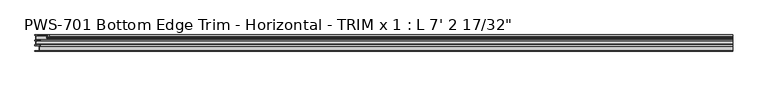
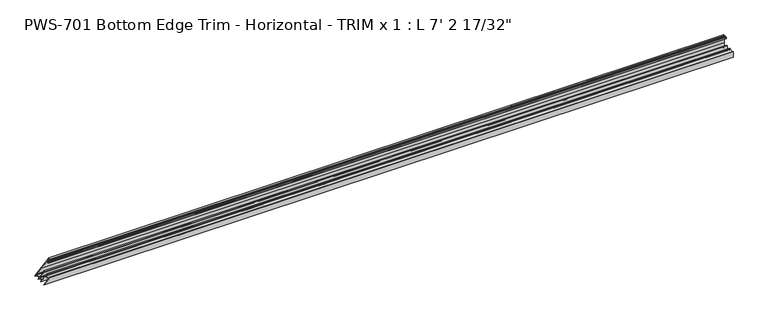
"""IFC4 building model written with IfcOpenShell, lengths in millimetres: proxy geometry."""

import ifcopenshell
import ifcopenshell.guid

model = None  # the IFC model being written
_history = None  # IfcOwnerHistory: only IFC2X3 demands one
_inside = {}  # id of a spatial element -> (the spatial element, [elements in it])
_under = {}  # id of a project, library or spatial element -> (it, [spatial elements below it])
_declared = {}  # id of a project -> (the project, [libraries it declares])
_typed = {}  # id of a type object -> (the type object, [elements of that type])
_made_of = {}  # id of a material, layer set ... -> (it, [elements and type objects made of it])


def new_model(schema):
    """Start an empty IFC model of exactly this schema.

    Asked for "IFC4X3", IfcOpenShell would pick the latest addendum, in which some entities
    have other attributes; the version numbers below select the first issue.
    IFC2X3 requires an IfcOwnerHistory on every rooted entity: one is made here for all.
    """
    global model, _history
    if schema == "IFC4X3":
        model = ifcopenshell.file(schema_version=(4, 3, 0, 0))
    else:
        model = ifcopenshell.file(schema=schema)
    _inside.clear()
    _under.clear()
    _declared.clear()
    _typed.clear()
    _made_of.clear()
    _history = None
    if model.schema == "IFC2X3":
        org = make("IfcOrganization", Name="unknown")
        user = make(
            "IfcPersonAndOrganization",
            ThePerson=make("IfcPerson", FamilyName="unknown"),
            TheOrganization=org,
        )
        app = make(
            "IfcApplication",
            ApplicationDeveloper=org,
            Version="unknown",
            ApplicationFullName="unknown",
            ApplicationIdentifier="unknown",
        )
        _history = make(
            "IfcOwnerHistory",
            OwningUser=user,
            OwningApplication=app,
            ChangeAction="ADDED",
            CreationDate=0,
        )
    return model


def make(cls, **values):
    """One entity of the class cls with the attributes given. An attribute that is None is left unset."""
    return model.create_entity(
        cls, **{name: value for name, value in values.items() if value is not None}
    )


def rooted(cls, **values):
    """An entity with a GlobalId (a new one), such as an element, a storey or a relation."""
    return make(cls, GlobalId=ifcopenshell.guid.new(), OwnerHistory=_history, **values)


def si_unit(unit_type, name, prefix=None):
    """IfcSIUnit, for example si_unit("LENGTHUNIT", "METRE", prefix="MILLI")."""
    return make("IfcSIUnit", UnitType=unit_type, Prefix=prefix, Name=name)


def assignment(units):
    """IfcUnitAssignment: the units of a project."""
    return None if units is None else make("IfcUnitAssignment", Units=units)


def point(xyz):
    """IfcCartesianPoint."""
    return None if xyz is None else make("IfcCartesianPoint", Coordinates=xyz)


def direction(xyz):
    """IfcDirection."""
    return None if xyz is None else make("IfcDirection", DirectionRatios=xyz)


def frame(location, z_axis=None, x_axis=None):
    """IfcAxis2Placement3D, a coordinate frame: its origin and axes. An axis left out is left unset."""
    return make(
        "IfcAxis2Placement3D",
        Location=point(location),
        Axis=direction(z_axis),
        RefDirection=direction(x_axis),
    )


def origin():
    """The frame at (0, 0, 0) with its axes left unset."""
    return frame((0.0, 0.0, 0.0))


def place(relative_to, where):
    """IfcLocalPlacement: puts the frame where relative to a parent placement (None: the world)."""
    return make(
        "IfcLocalPlacement", PlacementRelTo=relative_to, RelativePlacement=where
    )


def context(
    kind, dimensions, precision=None, world=None, true_north=None, identifier=None
):
    """IfcGeometricRepresentationContext, for example the 3D "Model" context."""
    return make(
        "IfcGeometricRepresentationContext",
        ContextIdentifier=identifier,
        ContextType=kind,
        CoordinateSpaceDimension=dimensions,
        Precision=precision,
        WorldCoordinateSystem=world,
        TrueNorth=true_north,
    )


def project(units=None, contexts=None):
    """IfcProject with its units and contexts."""
    return rooted(
        "IfcProject",
        Name="project",
        RepresentationContexts=contexts,
        UnitsInContext=assignment(units),
    )


def spatial(cls, under=None, at=None, **own):
    """A site, building, storey or space (cls), placed at a placement, below another one or the project."""
    s = rooted(cls, ObjectPlacement=at, **own)
    if under is not None:
        _under.setdefault(under.id(), (under, []))[1].append(s)
    return s


def polyline(points):
    """IfcPolyline through the points."""
    return make("IfcPolyline", Points=[point(p) for p in points])


def circle_curve(where, radius):
    """IfcCircle in the frame where."""
    return make("IfcCircle", Position=where, Radius=radius)


def ellipse_curve(where, semi_axis1, semi_axis2):
    """IfcEllipse in the frame where."""
    return make(
        "IfcEllipse", Position=where, SemiAxis1=semi_axis1, SemiAxis2=semi_axis2
    )


def shape(context_of_items, identifier, shape_type, items):
    """IfcShapeRepresentation: the items that make up one representation, for example the "Body"."""
    return make(
        "IfcShapeRepresentation",
        ContextOfItems=context_of_items,
        RepresentationIdentifier=identifier,
        RepresentationType=shape_type,
        Items=items,
    )


def source(mapping_origin, context_of_items, identifier, shape_type, items):
    """IfcRepresentationMap: a shape defined once, which mapped items show again and again."""
    return make(
        "IfcRepresentationMap",
        MappingOrigin=mapping_origin,
        MappedRepresentation=shape(context_of_items, identifier, shape_type, items),
    )


def transform(
    local_origin,
    x_axis=None,
    y_axis=None,
    z_axis=None,
    scale=None,
    scale2=None,
    scale3=None,
    uniform=True,
):
    """IfcCartesianTransformationOperator3D, or its non-uniform kind. x_axis, y_axis, z_axis: its Axis1, 2, 3."""
    if uniform:
        return make(
            "IfcCartesianTransformationOperator3D",
            Axis1=direction(x_axis),
            Axis2=direction(y_axis),
            LocalOrigin=point(local_origin),
            Scale=scale,
            Axis3=direction(z_axis),
        )
    return make(
        "IfcCartesianTransformationOperator3DnonUniform",
        Axis1=direction(x_axis),
        Axis2=direction(y_axis),
        LocalOrigin=point(local_origin),
        Scale=scale,
        Axis3=direction(z_axis),
        Scale2=scale2,
        Scale3=scale3,
    )


def mapped(mapping_source, mapping_target):
    """IfcMappedItem: shows the shape of a source again, moved by a transform."""
    return make(
        "IfcMappedItem", MappingSource=mapping_source, MappingTarget=mapping_target
    )


def made_of(thing, what):
    """Note that an element or type object is made of a material, layer set ...; save() writes the relation."""
    if what is not None:
        _made_of.setdefault(what.id(), (what, []))[1].append(thing)
    return thing


def element(
    cls,
    number,
    at=None,
    inside=None,
    cuts=None,
    type_object=None,
    material=None,
    context=None,
    identifier="Body",
    shape_type=None,
    held_by="IfcProductDefinitionShape",
    body=None,
    shapes=None,
    **own,
):
    """One element of the class cls, such as IfcWall. Its Tag is "e" and its number.

    at: its placement. inside: the storey or other place that contains it. cuts: it is an
    opening in that element (IfcRelVoidsElement). A single representation is given by context,
    identifier, shape_type and body (its items); several are given by shapes. held_by: the class
    of the entity that holds the representations. save() writes the other relations.
    """
    e = rooted(cls, Tag="e%d" % number, ObjectPlacement=at, **own)
    if body is not None:
        shapes = [shape(context, identifier, shape_type, body)]
    if shapes is not None:
        e.Representation = make(held_by, Representations=shapes)
    if inside is not None:
        _inside.setdefault(inside.id(), (inside, []))[1].append(e)
    if cuts is not None:
        rooted(
            "IfcRelVoidsElement", RelatingBuildingElement=cuts, RelatedOpeningElement=e
        )
    if type_object is not None:
        _typed.setdefault(type_object.id(), (type_object, []))[1].append(e)
    return made_of(e, material)


def aggregate(whole, parts):
    """IfcRelAggregates: a whole, such as a stair, and the parts it consists of."""
    return rooted("IfcRelAggregates", RelatingObject=whole, RelatedObjects=parts)


def save(model, path):
    """Write the relations noted so far, then the file.

    IfcRelAggregates (storeys below a building ...), IfcRelContainedInSpatialStructure (elements
    in a storey), IfcRelDefinesByType, IfcRelAssociatesMaterial and IfcRelDeclares: one each for
    every whole, place, type object, material and project.
    """
    for whole, parts in _under.values():
        aggregate(whole, parts)
    for where, things in _inside.values():
        rooted(
            "IfcRelContainedInSpatialStructure",
            RelatedElements=things,
            RelatingStructure=where,
        )
    for kind, things in _typed.values():
        rooted("IfcRelDefinesByType", RelatedObjects=things, RelatingType=kind)
    for what, things in _made_of.values():
        rooted("IfcRelAssociatesMaterial", RelatedObjects=things, RelatingMaterial=what)
    for by, libraries in _declared.values():
        rooted("IfcRelDeclares", RelatingContext=by, RelatedDefinitions=libraries)
    model.write(path)


def plane_surface(at):
    """IfcPlane: the flat surface through the origin of the frame at, square to its z axis."""
    return make("IfcPlane", Position=at)


def cylinder_surface(at, radius):
    """IfcCylindricalSurface: all points at the distance radius from the z axis of the frame at."""
    return make("IfcCylindricalSurface", Position=at, Radius=radius)


def revolved_surface(curve, axis_point, axis_direction):
    """IfcSurfaceOfRevolution: the curve turned about the line through axis_point along axis_direction."""
    return make(
        "IfcSurfaceOfRevolution",
        SweptCurve=make("IfcArbitraryOpenProfileDef", ProfileType="CURVE", Curve=curve),
        AxisPosition=make("IfcAxis1Placement", Location=point(axis_point), Axis=direction(axis_direction)),
    )


def advanced_brep(points, edges, surfaces, faces):
    """IfcAdvancedBrep: a solid bounded by faces that lie on surfaces and meet in shared edges.

    An edge is (start, end): straight between two places in points (the first is 0);
    or (start, end, curve); or (start, end, curve, False) where it runs against its curve.
    A face is (place in surfaces, loops), or (place, loops, False) where it looks against
    its surface's normal. A loop lists edges by number (the first is 1), with a minus sign
    where the edge is run from its end to its start. The first loop is the outer one.
    """
    corners = [point(p) for p in points]
    vertices = [make("IfcVertexPoint", VertexGeometry=c) for c in corners]
    made = []
    for start, end, *more in edges:
        made.append(
            make(
                "IfcEdgeCurve",
                EdgeStart=vertices[start],
                EdgeEnd=vertices[end],
                EdgeGeometry=more[0] if more else make("IfcPolyline", Points=[corners[start], corners[end]]),
                SameSense=more[1] if len(more) > 1 else True,
            )
        )
    hull = []
    for where, loops, *sense in faces:
        bounds = []
        for j, loop in enumerate(loops):
            ring = [make("IfcOrientedEdge", EdgeElement=made[abs(k) - 1], Orientation=k > 0) for k in loop]
            bounds.append(
                make(
                    "IfcFaceOuterBound" if j == 0 else "IfcFaceBound",
                    Bound=make("IfcEdgeLoop", EdgeList=ring),
                    Orientation=True,
                )
            )
        hull.append(make("IfcAdvancedFace", Bounds=bounds, FaceSurface=surfaces[where], SameSense=sense[0] if sense else True))
    return make("IfcAdvancedBrep", Outer=make("IfcClosedShell", CfsFaces=hull))


def proxy_c3da965c(model_context):
    return source(origin(), model_context, "Body", "AdvancedBrep", [
        advanced_brep(
        [(2197.89375, -15.875, 17.4625), (2197.89375, -15.875, 19.05), (2197.89375, -19.05, 19.05), (2197.89375, -19.05, 6.35), (2197.89375, -20.6375, 4.7625), (2197.89375, -30.1625, 4.7625), (2197.89375, -31.75, 6.35), (2197.89375, -31.75, 19.05), (2197.89375, -36.35375, 19.05), (2197.89375, -36.35375, 18.25752), (2197.89375, -35.55873, 17.4625), (2197.89375, -33.9725, 17.4625), (2197.89375, -33.9725, 15.875), (2197.89375, -49.2125, 15.875), (2197.89375, -49.2125, 17.907), (2197.89375, -50.8, 17.907), (2197.89375, -50.8, 0.0), (2197.89375, -49.2125, 0.0), (2197.89375, -49.2125, 12.7), (2197.89375, -47.625, 14.2875), (2197.89375, -34.925, 14.2875), (2197.89375, -33.3375, 12.7), (2197.89375, -33.3375, 0.0), (2197.89375, -31.75, 0.0), (2197.89375, -31.75, 1.5875), (2197.89375, -30.1625, 3.175), (2197.89375, -20.6375, 3.175), (2197.89375, -19.05, 1.5875), (2197.89375, -19.05, 0.0), (2197.89375, -17.4625, 0.0), (2197.89375, -17.4625, 1.5875), (2197.89375, -15.875, 3.175), (2197.89375, -3.175, 3.175), (2197.89375, -1.5875, 1.5875), (2197.89375, -1.5875, 0.0), (2197.89375, 0.0, 0.0), (2197.89375, 0.0, 44.45), (2197.89375, -6.0569064, 44.45), (2197.89375, -7.1755, 43.5416341), (2197.89375, -7.1755, 42.7502912), (2197.89375, -6.2865, 42.7502912), (2197.89375, -6.2865, 40.242076), (2197.89375, -8.6995, 38.1), (2197.89375, -11.1125, 40.242076), (2197.89375, -11.1125, 42.7502912), (2197.89375, -10.2659469, 42.7502912), (2197.89375, -10.3627194, 43.688), (2197.89375, -12.7, 43.688), (2197.89375, -12.7, 40.0142401), (2197.89375, -8.6995, 36.4914739), (2197.89375, -4.699, 40.0142401), (2197.89375, -4.699, 42.8625), (2197.89375, -3.175, 42.8625), (2197.89375, -1.5875, 41.275), (2197.89375, -1.5875, 19.05), (2197.89375, -2.38252, 6.35), (2197.89375, -3.97002, 4.7625), (2197.89375, -15.875, 4.7625), (2197.89375, -17.4625, 6.35), (2197.89375, -17.4625, 15.875), (15.875, -17.4625, 15.875), (17.4625, -15.875, 17.4625), (6.35, -17.4625, 6.35), (4.7625, -15.875, 4.7625), (4.7625, -3.97002, 4.7625), (6.35, -2.38252, 6.35), (19.05, -1.5875, 19.05), (41.275, -1.5875, 41.275), (42.8625, -3.175, 42.8625), (42.8625, -4.699, 42.8625), (40.0142401, -4.699, 40.0142401), (36.4914739, -8.6995, 36.4914739), (40.0142401, -12.7, 40.0142401), (43.688, -12.7, 43.688), (43.688, -10.3627194, 43.688), (42.7502912, -10.2659469, 42.7502912), (42.7502912, -11.1125, 42.7502912), (40.242076, -11.1125, 40.242076), (38.1, -8.6995, 38.1), (40.242076, -6.2865, 40.242076), (42.7502912, -6.2865, 42.7502912), (42.7502912, -7.1755, 42.7502912), (43.5416341, -7.1755, 43.5416341), (44.45, -6.0569064, 44.45), (44.45, 0.0, 44.45), (0.0, 0.0, 0.0), (0.0, -1.5875, 0.0), (1.5875, -1.5875, 1.5875), (3.175, -3.175, 3.175), (3.175, -15.875, 3.175), (1.5875, -17.4625, 1.5875), (0.0, -17.4625, 0.0), (0.0, -19.05, 0.0), (1.5875, -19.05, 1.5875), (3.175, -20.6375, 3.175), (3.175, -30.1625, 3.175), (1.5875, -31.75, 1.5875), (0.0, -31.75, 0.0), (0.0, -33.3375, 0.0), (12.7, -33.3375, 12.7), (14.2875, -34.925, 14.2875), (14.2875, -47.625, 14.2875), (12.7, -49.2125, 12.7), (0.0, -49.2125, 0.0), (0.0, -50.8, 0.0), (17.907, -50.8, 17.907), (17.907, -49.2125, 17.907), (15.875, -49.2125, 15.875), (15.875, -33.9725, 15.875), (17.4625, -33.9725, 17.4625), (17.4625, -35.55873, 17.4625), (18.25752, -36.35375, 18.25752), (19.05, -36.35375, 19.05), (19.05, -31.75, 19.05), (6.35, -31.75, 6.35), (4.7625, -30.1625, 4.7625), (4.7625, -20.6375, 4.7625), (6.35, -19.05, 6.35), (19.05, -19.05, 19.05), (19.05, -15.875, 19.05)],
        [
            (0, 1),
            (1, 2),
            (2, 3),
            (3, 4, circle_curve(frame((2197.89375, -20.6375, 6.35), z_axis=(-1.0, 0.0, 0.0), x_axis=(0.0, 0.0, -1.0)), 1.5875)),
            (4, 5),
            (5, 6, circle_curve(frame((2197.89375, -30.1625, 6.35), z_axis=(-1.0, 0.0, 0.0), x_axis=(0.0, 0.0, -1.0)), 1.5875)),
            (6, 7),
            (7, 8),
            (8, 9),
            (9, 10, circle_curve(frame((2197.89375, -35.55873, 18.25752), z_axis=(1.0, 0.0, 0.0), x_axis=(0.0, 0.0, -1.0)), 0.79502)),
            (10, 11),
            (11, 12),
            (12, 13),
            (13, 14),
            (14, 15),
            (15, 16),
            (16, 17),
            (17, 18),
            (18, 19, circle_curve(frame((2197.89375, -47.625, 12.7), z_axis=(-1.0, 0.0, 0.0), x_axis=(0.0, 0.0, -1.0)), 1.5875)),
            (19, 20),
            (20, 21, circle_curve(frame((2197.89375, -34.925, 12.7), z_axis=(-1.0, 0.0, 0.0), x_axis=(0.0, 0.0, -1.0)), 1.5875)),
            (21, 22),
            (22, 23),
            (23, 24),
            (24, 25, circle_curve(frame((2197.89375, -30.1625, 1.5875), z_axis=(-1.0, 0.0, 0.0), x_axis=(0.0, 0.0, -1.0)), 1.5875)),
            (25, 26),
            (26, 27, circle_curve(frame((2197.89375, -20.6375, 1.5875), z_axis=(-1.0, 0.0, 0.0), x_axis=(0.0, 0.0, -1.0)), 1.5875)),
            (27, 28),
            (28, 29),
            (29, 30),
            (30, 31, circle_curve(frame((2197.89375, -15.875, 1.5875), z_axis=(-1.0, 0.0, 0.0), x_axis=(0.0, 0.0, -1.0)), 1.5875)),
            (31, 32),
            (32, 33, circle_curve(frame((2197.89375, -3.175, 1.5875), z_axis=(-1.0, 0.0, 0.0), x_axis=(0.0, 0.0, -1.0)), 1.5875)),
            (33, 34),
            (34, 35),
            (35, 36),
            (36, 37),
            (37, 38, circle_curve(frame((2197.89375, -6.0569064, 43.3070794), z_axis=(1.0, 0.0, 0.0), x_axis=(0.0, 0.0, -1.0)), 1.1429206)),
            (38, 39),
            (39, 40),
            (40, 41),
            (41, 42, circle_curve(frame((2197.89375, -9.3305673, 41.2410159), z_axis=(-1.0, 0.0, 0.0), x_axis=(0.0, 0.0, -1.0)), 3.2037832)),
            (42, 43, circle_curve(frame((2197.89375, -8.0684327, 41.2410159), z_axis=(-1.0, 0.0, 0.0), x_axis=(0.0, 0.0, -1.0)), 3.2037832)),
            (43, 44),
            (44, 45),
            (45, 46, circle_curve(frame((2197.89375, -11.3244879, 43.1148966), z_axis=(1.0, 0.0, 0.0), x_axis=(0.0, 0.0, -1.0)), 1.1195742)),
            (46, 47),
            (47, 48),
            (48, 49, circle_curve(frame((2197.89375, -8.0684327, 41.2410159), z_axis=(1.0, 0.0, 0.0), x_axis=(0.0, 0.0, -1.0)), 4.7912832)),
            (49, 50, circle_curve(frame((2197.89375, -9.3305673, 41.2410159), z_axis=(1.0, 0.0, 0.0), x_axis=(0.0, 0.0, -1.0)), 4.7912832)),
            (50, 51),
            (51, 52),
            (52, 53, circle_curve(frame((2197.89375, -3.175, 41.275), z_axis=(-1.0, 0.0, 0.0), x_axis=(0.0, 0.0, -1.0)), 1.5875)),
            (53, 54),
            (54, 55),
            (55, 56, circle_curve(frame((2197.89375, -3.97002, 6.35), z_axis=(-1.0, 0.0, 0.0), x_axis=(0.0, 0.0, -1.0)), 1.5875)),
            (56, 57),
            (57, 58, circle_curve(frame((2197.89375, -15.875, 6.35), z_axis=(-1.0, 0.0, 0.0), x_axis=(0.0, 0.0, -1.0)), 1.5875)),
            (58, 59),
            (59, 0, circle_curve(frame((2197.89375, -15.875, 15.875), z_axis=(-1.0, 0.0, 0.0), x_axis=(0.0, 0.0, -1.0)), 1.5875)),
            (59, 60),
            (60, 61, ellipse_curve(frame((15.875, -15.875, 15.875), z_axis=(-0.707106781186547, 0.0, 0.7071067811865481), x_axis=(-0.7071067811865478, 0.0, -0.707106781186547)), 2.245064, 1.5875)),
            (61, 0),
            (58, 62),
            (62, 60),
            (57, 63),
            (63, 62, ellipse_curve(frame((6.35, -15.875, 6.35), z_axis=(-0.707106781186547, 0.0, 0.7071067811865481), x_axis=(-0.7071067811865478, 0.0, -0.707106781186547)), 2.245064, 1.5875)),
            (56, 64),
            (64, 63),
            (55, 65),
            (65, 64, ellipse_curve(frame((6.35, -3.97002, 6.35), z_axis=(-0.707106781186547, 0.0, 0.7071067811865481), x_axis=(-0.7071067811865478, 0.0, -0.707106781186547)), 2.245064, 1.5875)),
            (54, 66),
            (66, 65),
            (53, 67),
            (67, 66),
            (52, 68),
            (68, 67, ellipse_curve(frame((41.275, -3.175, 41.275), z_axis=(-0.707106781186547, 0.0, 0.7071067811865481), x_axis=(-0.7071067811865478, 0.0, -0.707106781186547)), 2.245064, 1.5875)),
            (51, 69),
            (69, 68),
            (50, 70),
            (70, 69),
            (49, 71),
            (71, 70, ellipse_curve(frame((41.2410159, -9.3305673, 41.2410159), z_axis=(0.707106781186547, 0.0, -0.7071067811865481), x_axis=(0.7071067811865478, 0.0, 0.707106781186547)), 6.7758977, 4.7912832)),
            (48, 72),
            (72, 71, ellipse_curve(frame((41.2410159, -8.0684327, 41.2410159), z_axis=(0.707106781186547, 0.0, -0.7071067811865481), x_axis=(0.7071067811865478, 0.0, 0.707106781186547)), 6.7758977, 4.7912832)),
            (47, 73),
            (73, 72),
            (46, 74),
            (74, 73),
            (45, 75),
            (75, 74, ellipse_curve(frame((43.1148966, -11.3244879, 43.1148966), z_axis=(0.707106781186547, 0.0, -0.7071067811865481), x_axis=(0.7071067811865478, 0.0, 0.707106781186547)), 1.583317, 1.1195742)),
            (44, 76),
            (76, 75),
            (43, 77),
            (77, 76),
            (42, 78),
            (78, 77, ellipse_curve(frame((41.2410159, -8.0684327, 41.2410159), z_axis=(-0.707106781186547, 0.0, 0.7071067811865481), x_axis=(-0.7071067811865478, 0.0, -0.707106781186547)), 4.5308337, 3.2037832)),
            (41, 79),
            (79, 78, ellipse_curve(frame((41.2410159, -9.3305673, 41.2410159), z_axis=(-0.707106781186547, 0.0, 0.7071067811865481), x_axis=(-0.7071067811865478, 0.0, -0.707106781186547)), 4.5308337, 3.2037832)),
            (40, 80),
            (80, 79),
            (39, 81),
            (81, 80),
            (38, 82),
            (82, 81),
            (37, 83),
            (83, 82, ellipse_curve(frame((43.3070794, -6.0569064, 43.3070794), z_axis=(0.707106781186547, 0.0, -0.7071067811865481), x_axis=(0.7071067811865478, 0.0, 0.707106781186547)), 1.6163338, 1.1429206)),
            (36, 84),
            (84, 83),
            (35, 85),
            (85, 84),
            (34, 86),
            (86, 85),
            (33, 87),
            (87, 86),
            (32, 88),
            (88, 87, ellipse_curve(frame((1.5875, -3.175, 1.5875), z_axis=(-0.707106781186547, 0.0, 0.7071067811865481), x_axis=(-0.7071067811865478, 0.0, -0.707106781186547)), 2.245064, 1.5875)),
            (31, 89),
            (89, 88),
            (30, 90),
            (90, 89, ellipse_curve(frame((1.5875, -15.875, 1.5875), z_axis=(-0.707106781186547, 0.0, 0.7071067811865481), x_axis=(-0.7071067811865478, 0.0, -0.707106781186547)), 2.245064, 1.5875)),
            (29, 91),
            (91, 90),
            (28, 92),
            (92, 91),
            (27, 93),
            (93, 92),
            (26, 94),
            (94, 93, ellipse_curve(frame((1.5875, -20.6375, 1.5875), z_axis=(-0.707106781186547, 0.0, 0.7071067811865481), x_axis=(-0.7071067811865478, 0.0, -0.707106781186547)), 2.245064, 1.5875)),
            (25, 95),
            (95, 94),
            (24, 96),
            (96, 95, ellipse_curve(frame((1.5875, -30.1625, 1.5875), z_axis=(-0.707106781186547, 0.0, 0.7071067811865481), x_axis=(-0.7071067811865478, 0.0, -0.707106781186547)), 2.245064, 1.5875)),
            (23, 97),
            (97, 96),
            (22, 98),
            (98, 97),
            (21, 99),
            (99, 98),
            (20, 100),
            (100, 99, ellipse_curve(frame((12.7, -34.925, 12.7), z_axis=(-0.707106781186547, 0.0, 0.7071067811865481), x_axis=(-0.7071067811865478, 0.0, -0.707106781186547)), 2.245064, 1.5875)),
            (19, 101),
            (101, 100),
            (18, 102),
            (102, 101, ellipse_curve(frame((12.7, -47.625, 12.7), z_axis=(-0.707106781186547, 0.0, 0.7071067811865481), x_axis=(-0.7071067811865478, 0.0, -0.707106781186547)), 2.245064, 1.5875)),
            (17, 103),
            (103, 102),
            (16, 104),
            (104, 103),
            (15, 105),
            (105, 104),
            (14, 106),
            (106, 105),
            (13, 107),
            (107, 106),
            (12, 108),
            (108, 107),
            (11, 109),
            (109, 108),
            (10, 110),
            (110, 109),
            (9, 111),
            (111, 110, ellipse_curve(frame((18.25752, -35.55873, 18.25752), z_axis=(0.707106781186547, 0.0, -0.7071067811865481), x_axis=(0.7071067811865478, 0.0, 0.707106781186547)), 1.1243281, 0.79502)),
            (8, 112),
            (112, 111),
            (7, 113),
            (113, 112),
            (6, 114),
            (114, 113),
            (5, 115),
            (115, 114, ellipse_curve(frame((6.35, -30.1625, 6.35), z_axis=(-0.707106781186547, 0.0, 0.7071067811865481), x_axis=(-0.7071067811865478, 0.0, -0.707106781186547)), 2.245064, 1.5875)),
            (4, 116),
            (116, 115),
            (3, 117),
            (117, 116, ellipse_curve(frame((6.35, -20.6375, 6.35), z_axis=(-0.707106781186547, 0.0, 0.7071067811865481), x_axis=(-0.7071067811865478, 0.0, -0.707106781186547)), 2.245064, 1.5875)),
            (2, 118),
            (118, 117),
            (1, 119),
            (119, 118),
            (61, 119),
        ],
        [
            plane_surface(frame((2197.89375, -15.875, 14.2875), z_axis=(1.0, 0.0, 0.0), x_axis=(0.0, 1.0, 0.0))),
            revolved_surface(polyline([(14.287500021402204, -15.875, 14.2875), (2197.89375, -15.875, 14.2875)]), (0.0, -15.875, 15.875), (-1.0, 0.0, 0.0)),
            plane_surface(frame((2197.89375, -17.4625, 15.875), z_axis=(0.0, 1.0, 0.0), x_axis=(-1.0, 0.0, 0.0))),
            revolved_surface(polyline([(4.7625, -15.875, 4.762499999999999), (2197.89375, -15.875, 4.762499999999999)]), (0.0, -15.875, 6.35), (-1.0, 0.0, 0.0)),
            plane_surface(frame((2197.89375, -15.875, 4.7625), z_axis=(0.0, 0.0, 1.0), x_axis=(-1.0, 0.0, 0.0))),
            revolved_surface(polyline([(4.7625, -3.97002, 4.762499999999999), (2197.89375, -3.97002, 4.762499999999999)]), (0.0, -3.97002, 6.35), (-1.0, 0.0, 0.0)),
            plane_surface(frame((2197.89375, -2.38252, 6.35), z_axis=(0.0, -0.9980463600132397, 0.06247770213702593), x_axis=(-1.0, 0.0, 0.0))),
            plane_surface(frame((2197.89375, -1.5875, 19.05), z_axis=(0.0, -1.0, 0.0), x_axis=(-1.0, 0.0, 0.0))),
            revolved_surface(polyline([(39.6875000214022, -3.175, 39.6875), (2197.89375, -3.175, 39.6875)]), (0.0, -3.175, 41.275), (-1.0, 0.0, 0.0)),
            plane_surface(frame((2197.89375, -3.175, 42.8625), z_axis=(0.0, 0.0, -1.0), x_axis=(-1.0, 0.0, 0.0))),
            plane_surface(frame((2197.89375, -4.699, 42.8625), z_axis=(0.0, 1.0, 0.0), x_axis=(-1.0, 0.0, 0.0))),
            cylinder_surface(frame((0.0, -9.3305673, 41.2410159), z_axis=(1.0, 0.0, 0.0), x_axis=(0.0, 0.0, -1.0)), 4.7912832),
            cylinder_surface(frame((0.0, -8.0684327, 41.2410159), z_axis=(1.0, 0.0, 0.0), x_axis=(0.0, 0.0, -1.0)), 4.7912832),
            plane_surface(frame((2197.89375, -12.7, 40.0142401), z_axis=(0.0, -1.0, 0.0), x_axis=(-1.0, 0.0, 0.0))),
            plane_surface(frame((2197.89375, -12.7, 43.688), z_axis=(0.0, 0.0, 1.0), x_axis=(-1.0, 0.0, 0.0))),
            cylinder_surface(frame((0.0, -11.3244879, 43.1148966), z_axis=(1.0, 0.0, 0.0), x_axis=(0.0, 0.0, -1.0)), 1.1195742),
            plane_surface(frame((2197.89375, -10.2659469, 42.7502912), z_axis=(0.0, 0.0, -1.0), x_axis=(-1.0, 0.0, 0.0))),
            plane_surface(frame((2197.89375, -11.1125, 42.7502912), z_axis=(0.0, 1.0, 0.0), x_axis=(-1.0, 0.0, 0.0))),
            revolved_surface(polyline([(38.03723266630146, -8.0684327, 38.037232700000004), (2197.89375, -8.0684327, 38.037232700000004)]), (0.0, -8.0684327, 41.2410159), (-1.0, 0.0, 0.0)),
            revolved_surface(polyline([(38.03723266630146, -9.3305673, 38.037232700000004), (2197.89375, -9.3305673, 38.037232700000004)]), (0.0, -9.3305673, 41.2410159), (-1.0, 0.0, 0.0)),
            plane_surface(frame((2197.89375, -6.2865, 40.242076), z_axis=(0.0, -1.0, 0.0), x_axis=(-1.0, 0.0, 0.0))),
            plane_surface(frame((2197.89375, -6.2865, 42.7502912), z_axis=(0.0, 0.0, -1.0), x_axis=(-1.0, 0.0, 0.0))),
            plane_surface(frame((2197.89375, -7.1755, 42.7502912), z_axis=(0.0, -1.0, 0.0), x_axis=(-1.0, 0.0, 0.0))),
            cylinder_surface(frame((0.0, -6.0569064, 43.3070794), z_axis=(1.0, 0.0, 0.0), x_axis=(0.0, 0.0, -1.0)), 1.1429206),
            plane_surface(frame((2197.89375, -6.0569064, 44.45), z_axis=(0.0, 0.0, 1.0), x_axis=(-1.0, 0.0, 0.0))),
            plane_surface(frame((2197.89375, 0.0, 44.45), z_axis=(0.0, 1.0, 0.0), x_axis=(-1.0, 0.0, 0.0))),
            plane_surface(frame((2197.89375, 0.0, 0.0), z_axis=(0.0, 0.0, -1.0), x_axis=(-1.0, 0.0, 0.0))),
            plane_surface(frame((2197.89375, -1.5875, 0.0), z_axis=(0.0, -1.0, 0.0), x_axis=(-1.0, 0.0, 0.0))),
            revolved_surface(polyline([(2.1402204009035586e-08, -3.175, 0.0), (2197.89375, -3.175, 0.0)]), (0.0, -3.175, 1.5875), (-1.0, 0.0, 0.0)),
            plane_surface(frame((2197.89375, -3.175, 3.175), z_axis=(0.0, 0.0, -1.0), x_axis=(-1.0, 0.0, 0.0))),
            revolved_surface(polyline([(2.1402204009035586e-08, -15.875, 0.0), (2197.89375, -15.875, 0.0)]), (0.0, -15.875, 1.5875), (-1.0, 0.0, 0.0)),
            plane_surface(frame((2197.89375, -17.4625, 1.5875), z_axis=(0.0, 1.0, 0.0), x_axis=(-1.0, 0.0, 0.0))),
            plane_surface(frame((2197.89375, -17.4625, 0.0), z_axis=(0.0, 0.0, -1.0), x_axis=(-1.0, 0.0, 0.0))),
            plane_surface(frame((2197.89375, -19.05, 0.0), z_axis=(0.0, -1.0, 0.0), x_axis=(-1.0, 0.0, 0.0))),
            revolved_surface(polyline([(2.1402204009035586e-08, -20.6375, 0.0), (2197.89375, -20.6375, 0.0)]), (0.0, -20.6375, 1.5875), (-1.0, 0.0, 0.0)),
            plane_surface(frame((2197.89375, -20.6375, 3.175), z_axis=(0.0, 0.0, -1.0), x_axis=(-1.0, 0.0, 0.0))),
            revolved_surface(polyline([(2.1402204009035586e-08, -30.1625, 0.0), (2197.89375, -30.1625, 0.0)]), (0.0, -30.1625, 1.5875), (-1.0, 0.0, 0.0)),
            plane_surface(frame((2197.89375, -31.75, 1.5875), z_axis=(0.0, 1.0, 0.0), x_axis=(-1.0, 0.0, 0.0))),
            plane_surface(frame((2197.89375, -31.75, 0.0), z_axis=(0.0, 0.0, -1.0), x_axis=(-1.0, 0.0, 0.0))),
            plane_surface(frame((2197.89375, -33.3375, 0.0), z_axis=(0.0, -1.0, 0.0), x_axis=(-1.0, 0.0, 0.0))),
            revolved_surface(polyline([(11.112500021402203, -34.925, 11.112499999999999), (2197.89375, -34.925, 11.112499999999999)]), (0.0, -34.925, 12.7), (-1.0, 0.0, 0.0)),
            plane_surface(frame((2197.89375, -34.925, 14.2875), z_axis=(0.0, 0.0, -1.0), x_axis=(-1.0, 0.0, 0.0))),
            revolved_surface(polyline([(11.112500021402203, -47.625, 11.112499999999999), (2197.89375, -47.625, 11.112499999999999)]), (0.0, -47.625, 12.7), (-1.0, 0.0, 0.0)),
            plane_surface(frame((2197.89375, -49.2125, 12.7), z_axis=(0.0, 1.0, 0.0), x_axis=(-1.0, 0.0, 0.0))),
            plane_surface(frame((2197.89375, -49.2125, 0.0), z_axis=(0.0, 0.0, -1.0), x_axis=(-1.0, 0.0, 0.0))),
            plane_surface(frame((2197.89375, -50.8, 0.0), z_axis=(0.0, -1.0, 0.0), x_axis=(-1.0, 0.0, 0.0))),
            plane_surface(frame((2197.89375, -50.8, 17.907), z_axis=(0.0, 0.0, 1.0), x_axis=(-1.0, 0.0, 0.0))),
            plane_surface(frame((2197.89375, -49.2125, 17.907), z_axis=(0.0, 1.0, 0.0), x_axis=(-1.0, 0.0, 0.0))),
            plane_surface(frame((2197.89375, -49.2125, 15.875), z_axis=(0.0, 0.0, 1.0), x_axis=(-1.0, 0.0, 0.0))),
            plane_surface(frame((2197.89375, -33.9725, 15.875), z_axis=(0.0, -1.0, 0.0), x_axis=(-1.0, 0.0, 0.0))),
            plane_surface(frame((2197.89375, -33.9725, 17.4625), z_axis=(0.0, 0.0, -1.0), x_axis=(-1.0, 0.0, 0.0))),
            cylinder_surface(frame((0.0, -35.55873, 18.25752), z_axis=(1.0, 0.0, 0.0), x_axis=(0.0, 0.0, -1.0)), 0.79502),
            plane_surface(frame((2197.89375, -36.35375, 18.25752), z_axis=(0.0, -1.0, 0.0), x_axis=(-1.0, 0.0, 0.0))),
            plane_surface(frame((2197.89375, -36.35375, 19.05), z_axis=(0.0, 0.0, 1.0), x_axis=(-1.0, 0.0, 0.0))),
            plane_surface(frame((2197.89375, -31.75, 19.05), z_axis=(0.0, 1.0, 0.0), x_axis=(-1.0, 0.0, 0.0))),
            revolved_surface(polyline([(4.7625, -30.1625, 4.762499999999999), (2197.89375, -30.1625, 4.762499999999999)]), (0.0, -30.1625, 6.35), (-1.0, 0.0, 0.0)),
            plane_surface(frame((2197.89375, -30.1625, 4.7625), z_axis=(0.0, 0.0, 1.0), x_axis=(-1.0, 0.0, 0.0))),
            revolved_surface(polyline([(4.7625, -20.6375, 4.762499999999999), (2197.89375, -20.6375, 4.762499999999999)]), (0.0, -20.6375, 6.35), (-1.0, 0.0, 0.0)),
            plane_surface(frame((2197.89375, -19.05, 6.35), z_axis=(0.0, -1.0, 0.0), x_axis=(-1.0, 0.0, 0.0))),
            plane_surface(frame((2197.89375, -19.05, 19.05), z_axis=(0.0, 0.0, 1.0), x_axis=(-1.0, 0.0, 0.0))),
            plane_surface(frame((2197.89375, -15.875, 19.05), z_axis=(0.0, 1.0, 0.0), x_axis=(-1.0, 0.0, 0.0))),
            plane_surface(frame((0.0, 0.0, 0.0), z_axis=(-0.707106781186547, 0.0, 0.7071067811865481), x_axis=(0.0, -1.0, 0.0))),
        ],
        [
            (0, [[1, 2, 3, 4, 5, 6, 7, 8, 9, 10, 11, 12, 13, 14, 15, 16, 17, 18, 19, 20, 21, 22, 23, 24, 25, 26, 27, 28, 29, 30, 31, 32, 33, 34, 35, 36, 37, 38, 39, 40, 41, 42, 43, 44, 45, 46, 47, 48, 49, 50, 51, 52, 53, 54, 55, 56, 57, 58, 59, 60]]),
            (1, [[61, 62, 63, -60]]),
            (2, [[64, 65, -61, -59]]),
            (3, [[66, 67, -64, -58]]),
            (4, [[68, 69, -66, -57]]),
            (5, [[70, 71, -68, -56]]),
            (6, [[72, 73, -70, -55]]),
            (7, [[74, 75, -72, -54]]),
            (8, [[76, 77, -74, -53]]),
            (9, [[78, 79, -76, -52]]),
            (10, [[80, 81, -78, -51]]),
            (11, [[82, 83, -80, -50]]),
            (12, [[84, 85, -82, -49]]),
            (13, [[86, 87, -84, -48]]),
            (14, [[88, 89, -86, -47]]),
            (15, [[90, 91, -88, -46]]),
            (16, [[92, 93, -90, -45]]),
            (17, [[94, 95, -92, -44]]),
            (18, [[96, 97, -94, -43]]),
            (19, [[98, 99, -96, -42]]),
            (20, [[100, 101, -98, -41]]),
            (21, [[102, 103, -100, -40]]),
            (22, [[104, 105, -102, -39]]),
            (23, [[106, 107, -104, -38]]),
            (24, [[108, 109, -106, -37]]),
            (25, [[110, 111, -108, -36]]),
            (26, [[112, 113, -110, -35]]),
            (27, [[114, 115, -112, -34]]),
            (28, [[116, 117, -114, -33]]),
            (29, [[118, 119, -116, -32]]),
            (30, [[120, 121, -118, -31]]),
            (31, [[122, 123, -120, -30]]),
            (32, [[124, 125, -122, -29]]),
            (33, [[126, 127, -124, -28]]),
            (34, [[128, 129, -126, -27]]),
            (35, [[130, 131, -128, -26]]),
            (36, [[132, 133, -130, -25]]),
            (37, [[134, 135, -132, -24]]),
            (38, [[136, 137, -134, -23]]),
            (39, [[138, 139, -136, -22]]),
            (40, [[140, 141, -138, -21]]),
            (41, [[142, 143, -140, -20]]),
            (42, [[144, 145, -142, -19]]),
            (43, [[146, 147, -144, -18]]),
            (44, [[148, 149, -146, -17]]),
            (45, [[150, 151, -148, -16]]),
            (46, [[152, 153, -150, -15]]),
            (47, [[154, 155, -152, -14]]),
            (48, [[156, 157, -154, -13]]),
            (49, [[158, 159, -156, -12]]),
            (50, [[160, 161, -158, -11]]),
            (51, [[162, 163, -160, -10]]),
            (52, [[164, 165, -162, -9]]),
            (53, [[166, 167, -164, -8]]),
            (54, [[168, 169, -166, -7]]),
            (55, [[170, 171, -168, -6]]),
            (56, [[172, 173, -170, -5]]),
            (57, [[174, 175, -172, -4]]),
            (58, [[176, 177, -174, -3]]),
            (59, [[178, 179, -176, -2]]),
            (60, [[-63, 180, -178, -1]]),
            (61, [[-65, -67, -69, -71, -73, -75, -77, -79, -81, -83, -85, -87, -89, -91, -93, -95, -97, -99, -101, -103, -105, -107, -109, -111, -113, -115, -117, -119, -121, -123, -125, -127, -129, -131, -133, -135, -137, -139, -141, -143, -145, -147, -149, -151, -153, -155, -157, -159, -161, -163, -165, -167, -169, -171, -173, -175, -177, -179, -180, -62]]),
        ],
    ),
    ])


if __name__ == "__main__":
    model = new_model("IFC4")
    model_context = context("Model", 3, world=origin())
    ifc_project = project(units=[si_unit("LENGTHUNIT", "METRE", prefix="MILLI")], contexts=[model_context])
    site = spatial("IfcSite", under=ifc_project)
    building = spatial("IfcBuilding", under=site)
    placement = place(None, origin())
    proxy_shape = proxy_c3da965c(model_context)
    element("IfcBuildingElementProxy", 1, Name="PWS-701 Bottom Edge Trim - Horizontal - TRIM x 1 : L 7' 2 17/32\"", ObjectType="PWS-701 Bottom Edge Trim - Horizontal - TRIM x 1 : L 7' 2 17/32\"", at=placement, inside=building, context=model_context, shape_type="MappedRepresentation", body=[
        mapped(proxy_shape, transform((0.0, 0.0, 0.0), x_axis=(1.0, 0.0, 0.0), y_axis=(0.0, 1.0, 0.0), z_axis=(0.0, 0.0, 1.0))),
    ])
    save(model, "model.ifc")
